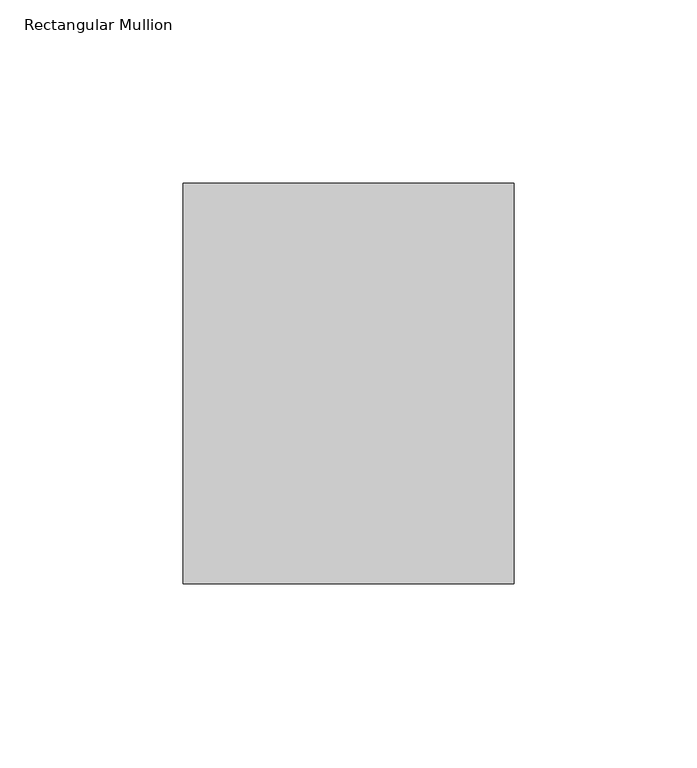
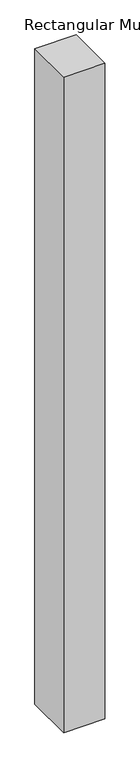
"""IFC4 building model written with IfcOpenShell, lengths in millimetres: member geometry, Rectangular Mullion."""

from ifc_helpers import new_model, si_unit, frame, origin, place, context, project, spatial, polyline, outline, extrude, source, transform, mapped, element, save


def rectangular_mullion_c0254e43(model_context):
    return source(origin(), model_context, "Body", "SweptSolid", [
        extrude(outline(polyline([(45.24375, -76.99375), (-45.24375, -76.99375), (-45.24375, 32.54375), (45.24375, 32.54375), (45.24375, -76.99375)])), frame((0.0, 0.0, -1524.0), z_axis=(0.0, 0.0, 1.0), x_axis=(1.0, 0.0, 0.0)), (0.0, 0.0, 1.0), 1524.0),
    ])


if __name__ == "__main__":
    model = new_model("IFC4")
    model_context = context("Model", 3, world=origin())
    ifc_project = project(units=[si_unit("LENGTHUNIT", "METRE", prefix="MILLI")], contexts=[model_context])
    site = spatial("IfcSite", under=ifc_project)
    building = spatial("IfcBuilding", under=site)
    placement = place(None, origin())
    rectangular_mullion_shape = rectangular_mullion_c0254e43(model_context)
    element("IfcMember", 1, ObjectType="Rectangular Mullion", at=placement, inside=building, context=model_context, shape_type="MappedRepresentation", body=[
        mapped(rectangular_mullion_shape, transform((0.0, 0.0, 0.0), x_axis=(1.0, 0.0, 0.0), y_axis=(0.0, 1.0, 0.0), z_axis=(0.0, 0.0, 1.0))),
    ])
    save(model, "model.ifc")
